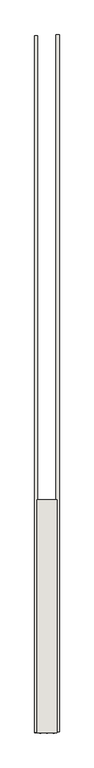
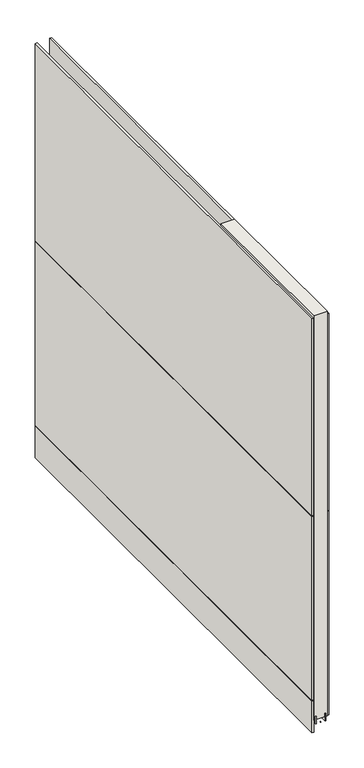
"""IFC4 building model written with IfcOpenShell, lengths in millimetres: wall geometry."""

from ifc_helpers import new_model, si_unit, frame, origin, place, context, project, spatial, polyline, outline, extrude, source, transform, mapped, element, save


def wall_4a4ae41b(model_context):
    return source(origin(), model_context, "Body", "SweptSolid", [
        extrude(outline(polyline([(61876.342211, -47957.2699476), (61876.342211, -47954.7299476), (61878.882211, -47954.7299476), (61878.882211, -47957.2699476), (61876.342211, -47957.2699476)])), frame((0.0, 0.0, 4419.6), z_axis=(0.0, 0.0, 1.0), x_axis=(1.0, 0.0, 0.0)), (0.0, 0.0, 1.0), 2.54),
        extrude(outline(polyline([(61928.412211, -45077.2137824), (61928.412211, -47952.8039164), (61915.712211, -47952.8039164), (61915.712211, -45077.2137824), (61928.412211, -45077.2137824)])), frame((0.0, 0.0, 5742.4000722), z_axis=(0.0, 0.0, 1.0), x_axis=(1.0, 0.0, 0.0)), (0.0, 0.0, 1.0), 1247.649905),
        extrude(outline(polyline([(61928.412211, -46020.1888586), (61928.412211, -47952.8038402), (61915.712211, -47952.8038402), (61915.712211, -46020.1888586), (61928.412211, -46020.1888586)])), frame((0.0, 0.0, 4445.0), z_axis=(0.0, 0.0, 1.0), x_axis=(1.0, 0.0, 0.0)), (0.0, 0.0, 1.0), 1293.400004),
        extrude(outline(polyline([(61826.812211, -47955.2657606), (61826.812211, -45079.6756266), (61839.512211, -45079.6756266), (61839.512211, -47955.2657606), (61826.812211, -47955.2657606)])), frame((0.0, 0.0, 4573.9999706), z_axis=(0.0, 0.0, 1.0), x_axis=(1.0, 0.0, 0.0)), (0.0, 0.0, 1.0), 1164.400008),
        extrude(outline(polyline([(61826.812211, -47955.2657606), (61826.812211, -45079.6756266), (61839.512211, -45079.6756266), (61839.512211, -47955.2657606), (61826.812211, -47955.2657606)])), frame((0.0, 0.0, 4368.1000014), z_axis=(0.0, 0.0, 1.0), x_axis=(1.0, 0.0, 0.0)), (0.0, 0.0, 1.0), 201.9000026),
        extrude(outline(polyline([(61826.812211, -47955.2657606), (61826.812211, -45079.6756266), (61839.512211, -45079.6756266), (61839.512211, -47955.2657606), (61826.812211, -47955.2657606)])), frame((0.0, 0.0, 5742.4000722), z_axis=(0.0, 0.0, 1.0), x_axis=(1.0, 0.0, 0.0)), (0.0, 0.0, 1.0), 1247.649905),
        extrude(outline(polyline([(61902.6959556, -47957.258797), (61902.6959556, -46994.598162), (61907.774711, -46994.598162), (61907.774711, -47957.258797), (61902.6959556, -47957.258797)])), frame((0.0, 0.0, 4418.6602), z_axis=(0.0, 0.0, 1.0), x_axis=(1.0, 0.0, 0.0)), (0.0, 0.0, 1.0), 47.625),
        extrude(outline(polyline([(61902.6959556, -47957.258797), (61902.6959556, -46994.598162), (61907.774711, -46994.598162), (61907.774711, -47957.258797), (61902.6959556, -47957.258797)])), frame((0.0, 0.0, 4418.6602), z_axis=(0.0, 0.0, 1.0), x_axis=(1.0, 0.0, 0.0)), (0.0, 0.0, 1.0), 47.625),
        extrude(outline(polyline([(61852.5284664, -46994.598162), (61852.5284664, -47957.258797), (61847.449711, -47957.258797), (61847.449711, -46994.598162), (61852.5284664, -46994.598162)])), frame((0.0, 0.0, 4418.6602), z_axis=(0.0, 0.0, 1.0), x_axis=(1.0, 0.0, 0.0)), (0.0, 0.0, 1.0), 47.625),
        extrude(outline(polyline([(61852.5284664, -46994.598162), (61852.5284664, -47957.258797), (61847.449711, -47957.258797), (61847.449711, -46994.598162), (61852.5284664, -46994.598162)])), frame((0.0, 0.0, 4418.6602), z_axis=(0.0, 0.0, 1.0), x_axis=(1.0, 0.0, 0.0)), (0.0, 0.0, 1.0), 47.625),
        extrude(outline(polyline([(61918.2670954, -47957.258797), (61836.9573266, -47957.258797), (61836.9573266, -46994.598162), (61918.2670954, -46994.598162), (61918.2670954, -47957.258797)])), frame((0.0, 0.0, 4445.0), z_axis=(0.0, 0.0, 1.0), x_axis=(1.0, 0.0, 0.0)), (0.0, 0.0, 1.0), 2562.4536762),
    ])


if __name__ == "__main__":
    model = new_model("IFC4")
    model_context = context("Model", 3, world=origin())
    ifc_project = project(units=[si_unit("LENGTHUNIT", "METRE", prefix="MILLI")], contexts=[model_context])
    site = spatial("IfcSite", under=ifc_project)
    building = spatial("IfcBuilding", under=site)
    placement = place(None, origin())
    wall_shape = wall_4a4ae41b(model_context)
    element("IfcWall", 1, at=placement, inside=building, context=model_context, shape_type="MappedRepresentation", body=[
        mapped(wall_shape, transform((0.0, 0.0, 0.0), x_axis=(1.0, 0.0, 0.0), y_axis=(0.0, 1.0, 0.0), z_axis=(0.0, 0.0, 1.0))),
    ])
    save(model, "model.ifc")
